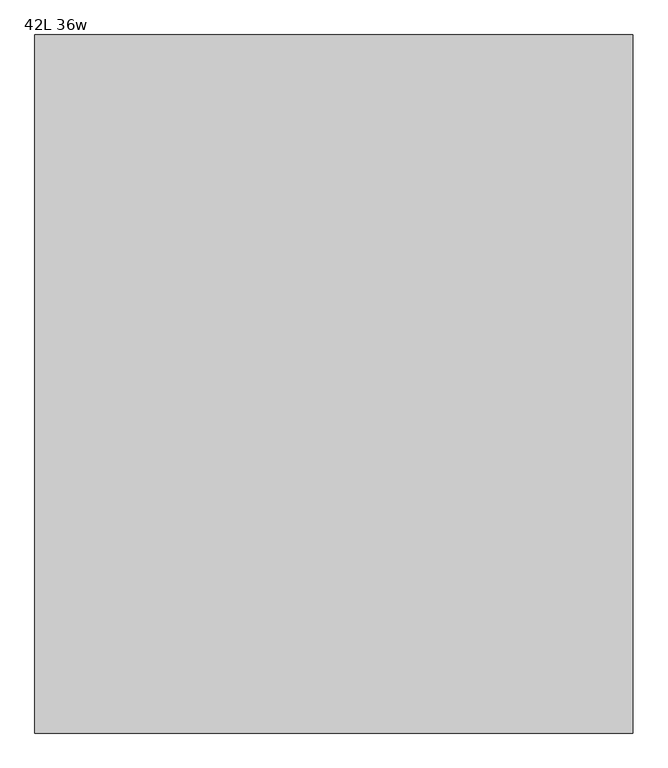
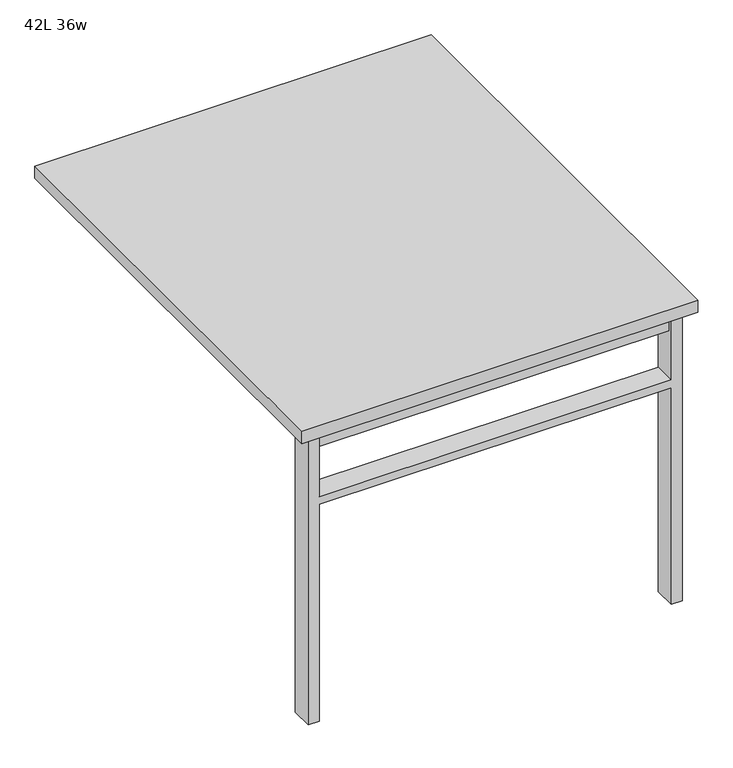
"""IFC4 building model written with IfcOpenShell, lengths in millimetres: furniture geometry, 42L 36w."""

from ifc_helpers import new_model, si_unit, frame, origin, place, context, project, spatial, polyline, outline, extrude, source, transform, mapped, element, save


def furniture_42l_36w_5464fec2(model_context):
    return source(origin(), model_context, "Body", "SweptSolid", [
        extrude(outline(polyline([(-406.4, -473.075), (406.4, -473.075), (406.4, -504.825), (-406.4, -504.825), (-406.4, -473.075)])), frame((0.0, 0.0, 661.9875), z_axis=(0.0, 0.0, 1.0), x_axis=(1.0, 0.0, 0.0)), (0.0, 0.0, 1.0), 44.45),
        extrude(outline(polyline([(528.6375, 406.4), (0.0, 406.4), (0.0, 431.8), (706.4375, 431.8), (706.4375, 406.4), (547.6875, 406.4), (547.6875, -406.4), (706.4375, -406.4), (706.4375, -431.8), (0.0, -431.8), (0.0, -406.4), (528.6375, -406.4), (528.6375, 406.4)])), frame((0.0, -514.35, 0.0), z_axis=(0.0, 1.0, 0.0), x_axis=(0.0, 0.0, 1.0)), (0.0, 0.0, 1.0), 50.8),
        extrude(outline(polyline([(-457.2, -533.4), (-457.2, 533.4), (457.2, 533.4), (457.2, -533.4), (-457.2, -533.4)])), frame((0.0, 0.0, 706.4375), z_axis=(0.0, 0.0, 1.0), x_axis=(1.0, 0.0, 0.0)), (0.0, 0.0, 1.0), 30.1625),
    ])


if __name__ == "__main__":
    model = new_model("IFC4")
    model_context = context("Model", 3, world=origin())
    ifc_project = project(units=[si_unit("LENGTHUNIT", "METRE", prefix="MILLI")], contexts=[model_context])
    site = spatial("IfcSite", under=ifc_project)
    building = spatial("IfcBuilding", under=site)
    placement = place(None, origin())
    furniture_42l_36w_shape = furniture_42l_36w_5464fec2(model_context)
    element("IfcFurniture", 1, ObjectType="42L 36w", at=placement, inside=building, context=model_context, shape_type="MappedRepresentation", body=[
        mapped(furniture_42l_36w_shape, transform((0.0, 0.0, 0.0), x_axis=(1.0, 0.0, 0.0), y_axis=(0.0, 1.0, 0.0), z_axis=(0.0, 0.0, 1.0))),
    ])
    save(model, "model.ifc")
